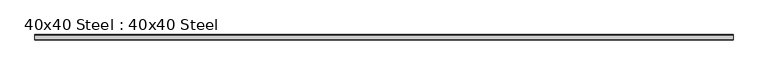
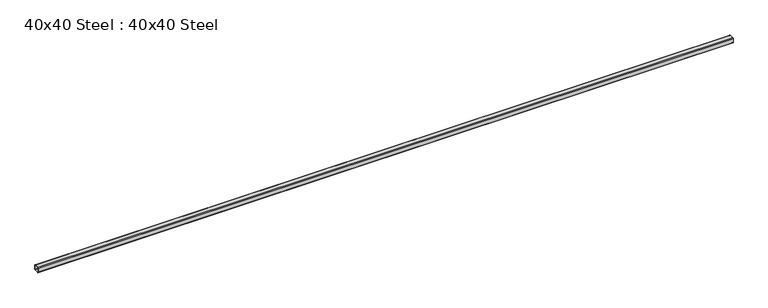
"""IFC4 building model written with IfcOpenShell, lengths in millimetres: proxy geometry, 40x40 Steel : 40x40 Steel."""

from ifc_helpers import new_model, si_unit, point, frame, frame_2d, origin, place, context, project, spatial, polyline, circle_curve, trimmed, segment, composite_curve, outline, extrude, source, transform, mapped, element, save


def proxy_40x40_steel_40x40_steel_22d2c82a(model_context):
    return source(origin(), model_context, "Body", "SweptSolid", [
        extrude(outline(composite_curve([segment(trimmed(circle_curve(frame_2d((34.1, 4.0)), 4.0), [point((38.1, 4.0))], [point((34.1, 0.0))], False, "CARTESIAN"), True, "CONTINUOUS"), segment(polyline([(34.1, 0.0), (4.0, 0.0)]), True, "CONTINUOUS"), segment(trimmed(circle_curve(frame_2d((4.0, 4.0)), 4.0), [point((4.0, 0.0))], [point((0.0, 4.0))], False, "CARTESIAN"), True, "CONTINUOUS"), segment(polyline([(0.0, 4.0), (0.0, 34.1)]), True, "CONTINUOUS"), segment(trimmed(circle_curve(frame_2d((4.0, 34.1)), 4.0), [point((0.0, 34.1))], [point((4.0, 38.1))], False, "CARTESIAN"), True, "CONTINUOUS"), segment(polyline([(4.0, 38.1), (34.1, 38.1)]), True, "CONTINUOUS"), segment(trimmed(circle_curve(frame_2d((34.1, 34.1)), 4.0), [point((34.1, 38.1))], [point((38.1, 34.1))], False, "CARTESIAN"), True, "CONTINUOUS"), segment(polyline([(38.1, 34.1), (38.1, 4.0)]), True, "CONTINUOUS")], self_intersect=False), holes=[composite_curve([segment(polyline([(35.1, 4.0), (35.1, 34.1)]), True, "CONTINUOUS"), segment(trimmed(circle_curve(frame_2d((34.1, 34.1)), 1.0), [point((35.1, 34.1))], [point((34.1, 35.1))], True, "CARTESIAN"), True, "CONTINUOUS"), segment(polyline([(34.1, 35.1), (4.0, 35.1)]), True, "CONTINUOUS"), segment(trimmed(circle_curve(frame_2d((4.0, 34.1)), 1.0), [point((4.0, 35.1))], [point((3.0, 34.1))], True, "CARTESIAN"), True, "CONTINUOUS"), segment(polyline([(3.0, 34.1), (3.0, 4.0)]), True, "CONTINUOUS"), segment(trimmed(circle_curve(frame_2d((4.0, 4.0)), 1.0), [point((3.0, 4.0))], [point((4.0, 3.0))], True, "CARTESIAN"), True, "CONTINUOUS"), segment(polyline([(4.0, 3.0), (34.1, 3.0)]), True, "CONTINUOUS"), segment(trimmed(circle_curve(frame_2d((34.1, 4.0)), 1.0), [point((34.1, 3.0))], [point((35.1, 4.0))], True, "CARTESIAN"), True, "CONTINUOUS")], self_intersect=False)]), frame((0.0, 0.0, 0.0), z_axis=(1.0, 0.0, 0.0), x_axis=(0.0, 1.0, 0.0)), (0.0, 0.0, 1.0), 4930.0),
    ])


if __name__ == "__main__":
    model = new_model("IFC4")
    model_context = context("Model", 3, world=origin())
    ifc_project = project(units=[si_unit("LENGTHUNIT", "METRE", prefix="MILLI")], contexts=[model_context])
    site = spatial("IfcSite", under=ifc_project)
    building = spatial("IfcBuilding", under=site)
    placement = place(None, origin())
    proxy_40x40_steel_40x40_steel_shape = proxy_40x40_steel_40x40_steel_22d2c82a(model_context)
    element("IfcBuildingElementProxy", 1, Name="40x40 Steel : 40x40 Steel", ObjectType="40x40 Steel : 40x40 Steel", at=placement, inside=building, context=model_context, shape_type="MappedRepresentation", body=[
        mapped(proxy_40x40_steel_40x40_steel_shape, transform((0.0, 0.0, 0.0), x_axis=(1.0, 0.0, 0.0), y_axis=(0.0, 1.0, 0.0), z_axis=(0.0, 0.0, 1.0))),
    ])
    save(model, "model.ifc")
